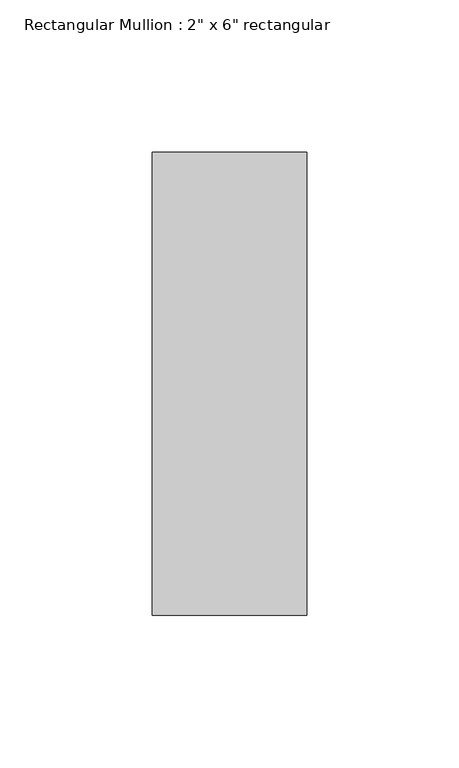
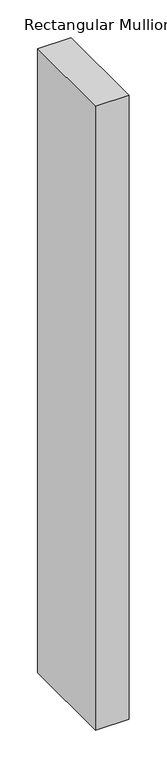
"""IFC4 building model written with IfcOpenShell, lengths in millimetres: member geometry."""

from ifc_helpers import new_model, si_unit, frame, origin, place, context, project, spatial, polyline, outline, extrude, source, transform, mapped, element, save


def member_a749212b(model_context):
    return source(origin(), model_context, "Body", "SweptSolid", [
        extrude(outline(polyline([(0.0, 76.2), (0.0, -76.2), (-50.8, -76.2), (-50.8, 76.2), (0.0, 76.2)])), frame((0.0, 0.0, -1003.3), z_axis=(0.0, 0.0, 1.0), x_axis=(1.0, 0.0, 0.0)), (0.0, 0.0, 1.0), 1003.3),
    ])


if __name__ == "__main__":
    model = new_model("IFC4")
    model_context = context("Model", 3, world=origin())
    ifc_project = project(units=[si_unit("LENGTHUNIT", "METRE", prefix="MILLI")], contexts=[model_context])
    site = spatial("IfcSite", under=ifc_project)
    building = spatial("IfcBuilding", under=site)
    placement = place(None, origin())
    member_shape = member_a749212b(model_context)
    element("IfcMember", 1, ObjectType="Rectangular Mullion : 2\" x 6\" rectangular", at=placement, inside=building, context=model_context, shape_type="MappedRepresentation", body=[
        mapped(member_shape, transform((0.0, 0.0, 0.0), x_axis=(1.0, 0.0, 0.0), y_axis=(0.0, 1.0, 0.0), z_axis=(0.0, 0.0, 1.0))),
    ])
    save(model, "model.ifc")
